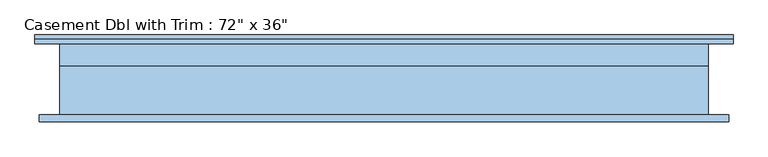
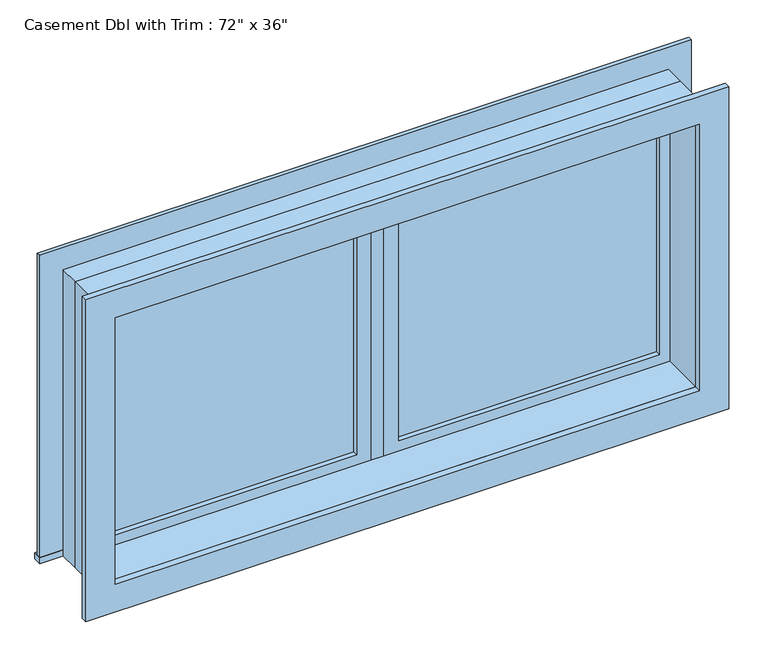
"""IFC4 building model written with IfcOpenShell, lengths in millimetres: window geometry."""

from ifc_helpers import new_model, si_unit, frame, origin, place, context, project, spatial, polyline, outline, extrude, source, transform, mapped, element, save


def window_6fce5177(model_context):
    return source(origin(), model_context, "Body", "SweptSolid", [
        extrude(outline(polyline([(63.5, 84.125), (850.9, 84.125), (850.9, 71.425), (63.5, 71.425), (63.5, 84.125)])), frame((0.0, 0.0, 1282.7), z_axis=(0.0, 0.0, 1.0), x_axis=(1.0, 0.0, 0.0)), (0.0, 0.0, 1.0), 787.4),
        extrude(outline(polyline([(2114.55, 19.05), (1238.25, 19.05), (1238.25, 895.35), (2114.55, 895.35), (2114.55, 19.05)]), holes=[polyline([(2070.1, 63.5), (2070.1, 850.9), (1282.7, 850.9), (1282.7, 63.5), (2070.1, 63.5)])]), frame((0.0, 55.55, 0.0), z_axis=(0.0, 1.0, 0.0), x_axis=(0.0, 0.0, 1.0)), (0.0, 0.0, 1.0), 44.45),
        extrude(outline(polyline([(19.05, 55.55), (-19.05, 55.55), (-19.05, 119.05), (19.05, 119.05), (19.05, 55.55)])), frame((0.0, 0.0, 1238.25), z_axis=(0.0, 0.0, 1.0), x_axis=(1.0, 0.0, 0.0)), (0.0, 0.0, 1.0), 876.3),
        extrude(outline(polyline([(-984.25, 144.45), (984.25, 144.45), (984.25, 119.05), (-984.25, 119.05), (-984.25, 144.45)])), frame((0.0, 0.0, 1219.2), z_axis=(0.0, 0.0, 1.0), x_axis=(1.0, 0.0, 0.0)), (0.0, 0.0, 1.0), 19.05),
        extrude(outline(polyline([(2114.55, -895.35), (2114.55, 895.35), (1238.25, 895.35), (1238.25, 984.25), (2203.45, 984.25), (2203.45, -984.25), (1238.25, -984.25), (1238.25, -895.35), (2114.55, -895.35)])), frame((0.0, 119.05, 0.0), z_axis=(0.0, 1.0, 0.0), x_axis=(0.0, 0.0, 1.0)), (0.0, 0.0, 1.0), 12.7),
        extrude(outline(polyline([(2190.75, 971.55), (2190.75, -971.55), (1162.05, -971.55), (1162.05, 971.55), (2190.75, 971.55)]), holes=[polyline([(2101.85, 882.65), (1250.95, 882.65), (1250.95, -882.65), (2101.85, -882.65), (2101.85, 882.65)])]), frame((0.0, -100.0, 0.0), z_axis=(0.0, 1.0, 0.0), x_axis=(0.0, 0.0, 1.0)), (0.0, 0.0, 1.0), 19.05),
        extrude(outline(polyline([(-63.5, 71.425), (-850.9, 71.425), (-850.9, 84.125), (-63.5, 84.125), (-63.5, 71.425)])), frame((0.0, 0.0, 1282.7), z_axis=(0.0, 0.0, 1.0), x_axis=(1.0, 0.0, 0.0)), (0.0, 0.0, 1.0), 787.4),
        extrude(outline(polyline([(2114.55, -895.35), (1238.25, -895.35), (1238.25, -19.05), (2114.55, -19.05), (2114.55, -895.35)]), holes=[polyline([(2070.1, -850.9), (2070.1, -63.5), (1282.7, -63.5), (1282.7, -850.9), (2070.1, -850.9)])]), frame((0.0, 55.55, 0.0), z_axis=(0.0, 1.0, 0.0), x_axis=(0.0, 0.0, 1.0)), (0.0, 0.0, 1.0), 44.45),
        extrude(outline(polyline([(2133.6, -914.4), (1219.2, -914.4), (1219.2, 914.4), (2133.6, 914.4), (2133.6, -914.4)]), holes=[polyline([(2101.85, -882.65), (2101.85, 882.65), (1250.95, 882.65), (1250.95, -882.65), (2101.85, -882.65)])]), frame((0.0, -80.95, 0.0), z_axis=(0.0, 1.0, 0.0), x_axis=(0.0, 0.0, 1.0)), (0.0, 0.0, 1.0), 136.5),
        extrude(outline(polyline([(2133.6, 914.4), (2133.6, -914.4), (1219.2, -914.4), (1219.2, 914.4), (2133.6, 914.4)]), holes=[polyline([(2114.55, 895.35), (1238.25, 895.35), (1238.25, -895.35), (2114.55, -895.35), (2114.55, 895.35)])]), frame((0.0, 55.55, 0.0), z_axis=(0.0, 1.0, 0.0), x_axis=(0.0, 0.0, 1.0)), (0.0, 0.0, 1.0), 63.5),
    ])


if __name__ == "__main__":
    model = new_model("IFC4")
    model_context = context("Model", 3, world=origin())
    ifc_project = project(units=[si_unit("LENGTHUNIT", "METRE", prefix="MILLI")], contexts=[model_context])
    site = spatial("IfcSite", under=ifc_project)
    building = spatial("IfcBuilding", under=site)
    placement = place(None, origin())
    window_shape = window_6fce5177(model_context)
    element("IfcWindow", 1, ObjectType="Casement Dbl with Trim : 72\" x 36\"", at=placement, inside=building, context=model_context, shape_type="MappedRepresentation", body=[
        mapped(window_shape, transform((0.0, 0.0, 0.0), x_axis=(1.0, 0.0, 0.0), y_axis=(0.0, 1.0, 0.0), z_axis=(0.0, 0.0, 1.0))),
    ])
    save(model, "model.ifc")
